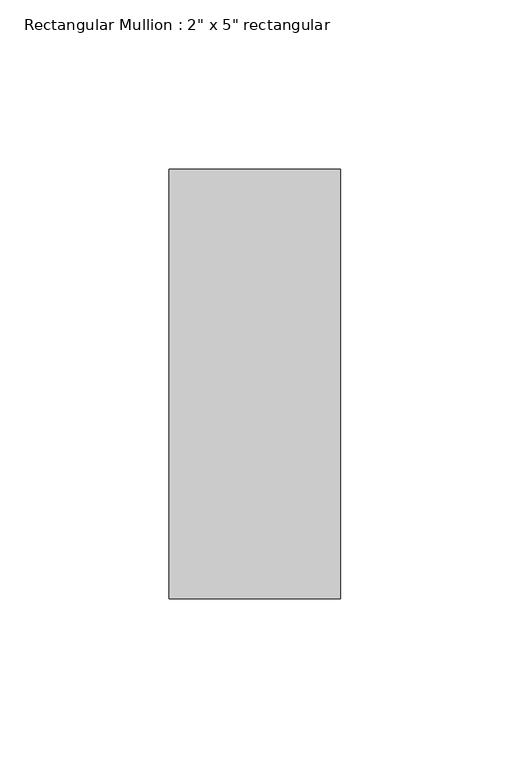
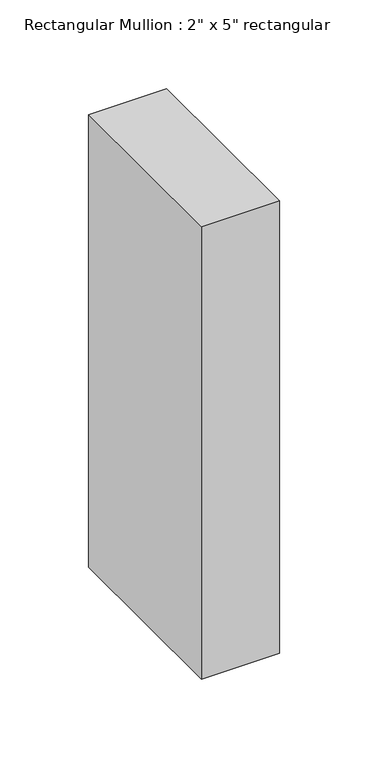
"""IFC4 building model written with IfcOpenShell, lengths in millimetres: member geometry."""

from ifc_helpers import new_model, si_unit, frame, origin, place, context, project, spatial, polyline, outline, extrude, source, transform, mapped, element, save


def member_cd3df807(model_context):
    return source(origin(), model_context, "Body", "SweptSolid", [
        extrude(outline(polyline([(25.4, 63.5), (25.4, -63.5), (-25.4, -63.5), (-25.4, 63.5), (25.4, 63.5)])), frame((0.0, 0.0, -311.15), z_axis=(0.0, 0.0, 1.0), x_axis=(1.0, 0.0, 0.0)), (0.0, 0.0, 1.0), 311.15),
    ])


if __name__ == "__main__":
    model = new_model("IFC4")
    model_context = context("Model", 3, world=origin())
    ifc_project = project(units=[si_unit("LENGTHUNIT", "METRE", prefix="MILLI")], contexts=[model_context])
    site = spatial("IfcSite", under=ifc_project)
    building = spatial("IfcBuilding", under=site)
    placement = place(None, origin())
    member_shape = member_cd3df807(model_context)
    element("IfcMember", 1, ObjectType="Rectangular Mullion : 2\" x 5\" rectangular", at=placement, inside=building, context=model_context, shape_type="MappedRepresentation", body=[
        mapped(member_shape, transform((0.0, 0.0, 0.0), x_axis=(1.0, 0.0, 0.0), y_axis=(0.0, 1.0, 0.0), z_axis=(0.0, 0.0, 1.0))),
    ])
    save(model, "model.ifc")
